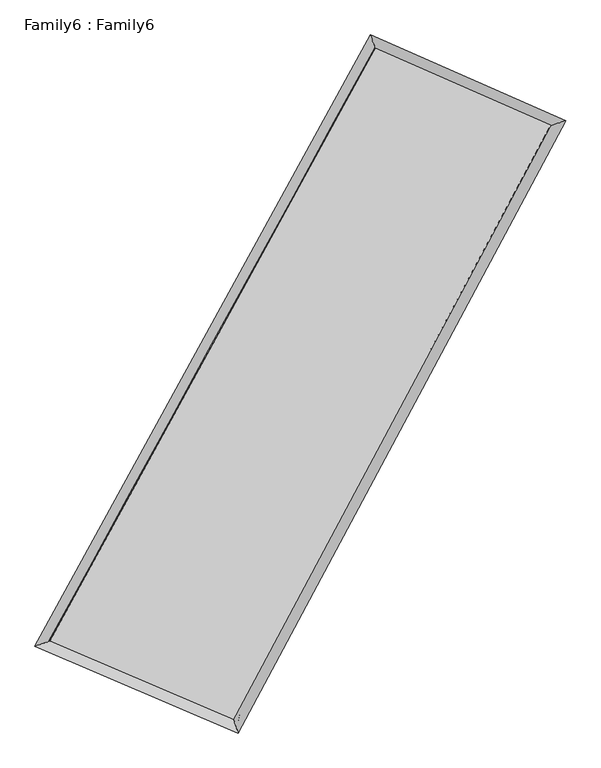
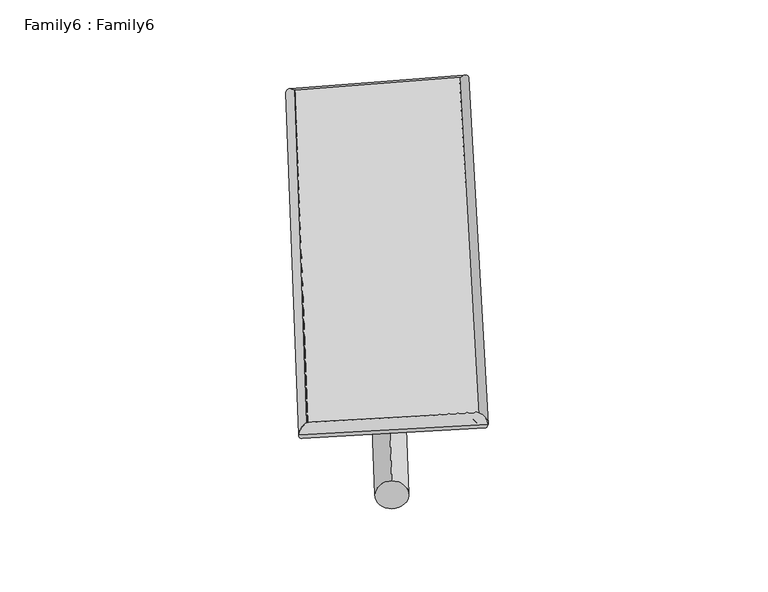
"""IFC4 building model written with IfcOpenShell, lengths in millimetres: plate geometry, Family6 : Family6."""

from ifc_helpers import new_model, si_unit, point, frame, origin, origin_2d, place, context, project, spatial, circle_curve, ellipse_curve, trimmed, segment, composite_curve, outline, extrude, source, transform, mapped, element, save
from ifc_brep_helpers import plane_surface, cylinder_surface, spline_surface, advanced_brep


def family6_family6_1cae8eb5(model_context):
    return source(origin(), model_context, "Body", "SolidModel", [
        extrude(outline(composite_curve([segment(trimmed(circle_curve(origin_2d(), 76.2), [point((-75.4341514, -10.7763074))], [point((75.4341514, 10.7763074))], False, "CARTESIAN"), True, "CONTINUOUS"), segment(trimmed(circle_curve(origin_2d(), 76.2), [point((75.4341514, 10.7763074))], [point((-75.4341514, -10.7763074))], False, "CARTESIAN"), True, "CONTINUOUS")], self_intersect=False)), frame((9144.0, 9144.0, 0.0), z_axis=(0.6698495819543582, 0.6923555634816301, 0.2682262315128899), x_axis=(-0.6836596254450391, 0.7160542252344763, -0.140981782724588)), (0.0, 0.0, 1.0), 5777.371442),
        extrude(outline(composite_curve([segment(trimmed(circle_curve(origin_2d(), 76.2), [point((-53.8815367, 53.8815367))], [point((53.8815367, -53.8815367))], False, "CARTESIAN"), True, "CONTINUOUS"), segment(trimmed(circle_curve(origin_2d(), 76.2), [point((53.8815367, -53.8815367))], [point((-53.8815367, 53.8815367))], False, "CARTESIAN"), True, "CONTINUOUS")], self_intersect=False)), frame((9144.0, 9144.0, 0.0), z_axis=(-0.676528505737066, -0.6865075603273804, 0.26648930661195563), x_axis=(0.6367275986227389, -0.3634948289146226, 0.6800363773390729)), (0.0, 0.0, 1.0), 5812.6458426),
        extrude(outline(composite_curve([segment(trimmed(circle_curve(origin_2d(), 76.2), [point((-53.8815367, -53.8815367))], [point((53.8815367, 53.8815367))], False, "CARTESIAN"), True, "CONTINUOUS"), segment(trimmed(circle_curve(origin_2d(), 76.2), [point((53.8815367, 53.8815367))], [point((-53.8815367, -53.8815367))], False, "CARTESIAN"), True, "CONTINUOUS")], self_intersect=False)), frame((9144.0, 9144.0, 0.0), z_axis=(0.20288243820096424, 0.9410681741212181, 0.27060932712267866), x_axis=(-0.8511309904723727, 0.3061229095965478, -0.4264560953693376)), (0.0, 0.0, 1.0), 5531.6793317),
        extrude(outline(composite_curve([segment(trimmed(circle_curve(origin_2d(), 76.2), [point((-75.4341514, 10.7763074))], [point((75.4341514, -10.7763074))], False, "CARTESIAN"), True, "CONTINUOUS"), segment(trimmed(circle_curve(origin_2d(), 76.2), [point((75.4341514, -10.7763074))], [point((-75.4341514, 10.7763074))], False, "CARTESIAN"), True, "CONTINUOUS")], self_intersect=False)), frame((9144.0, 9144.0, 0.0), z_axis=(-0.19243788287476143, -0.9431818235925529, 0.27087950989195564), x_axis=(0.9003369318960428, -0.05989925092719947, 0.4310516080498726)), (0.0, 0.0, 1.0), 5529.1967673),
        advanced_brep(
        [(4997.0624782, 5079.5774763, 1545.819306), (4996.9940985, 5079.4873027, 1553.1843682), (5426.0963092, 5227.5718908, 1552.1966144), (10332.6495904, 14154.1562951, 1501.6392009), (10199.9115899, 14545.218442, 1492.2088428), (5426.1646889, 5227.6620643, 1544.8315521), (12801.8392072, 13070.6704425, 1549.0143148), (13226.1004832, 13217.3200778, 1550.270825), (8011.4806551, 4123.9047755, 1498.6286619), (8148.4655051, 3734.0194445, 1496.863559)],
        [
            (0, 1, ellipse_curve(frame((5211.5793937, 5153.5746835, 1549.0079602), z_axis=(-0.32619411908600193, 0.9452641871344925, 0.008544775870329084), x_axis=(-0.9451600016438342, -0.32628863108504425, 0.014432619903380892)), 227.0555402, 152.4)),
            (1, 2, ellipse_curve(frame((5211.5793937, 5153.5746835, 1549.0079602), z_axis=(-0.32619411908600193, 0.9452641871344925, 0.008544775870329084), x_axis=(-0.9451600016438342, -0.32628863108504425, 0.014432619903380892)), 227.0555402, 152.4)),
            (2, 3),
            (3, 4, ellipse_curve(frame((10266.2805902, 14349.6873685, 1496.9240218), z_axis=(-0.9468400470406312, -0.32159132939988744, -0.00854061911738486), x_axis=(0.32142328672984843, -0.9467885291682875, 0.016689870674530646)), 206.5449681, 152.4)),
            (4, 0),
            (2, 5, ellipse_curve(frame((5211.5793937, 5153.5746835, 1549.0079602), z_axis=(-0.32619411908600193, 0.9452641871344925, 0.008544775870329084), x_axis=(-0.9451600016438342, -0.32628863108504425, 0.014432619903380892)), 227.0555402, 152.4)),
            (5, 0, ellipse_curve(frame((5211.5793937, 5153.5746835, 1549.0079602), z_axis=(-0.32619411908600193, 0.9452641871344925, 0.008544775870329084), x_axis=(-0.9451600016438342, -0.32628863108504425, 0.014432619903380892)), 227.0555402, 152.4)),
            (4, 3, ellipse_curve(frame((10266.2805902, 14349.6873685, 1496.9240218), z_axis=(-0.9468400470406312, -0.32159132939988744, -0.00854061911738486), x_axis=(0.32142328672984843, -0.9467885291682875, 0.016689870674530646)), 206.5449681, 152.4)),
            (3, 6),
            (6, 7, ellipse_curve(frame((13013.9698452, 13143.9952602, 1549.6425699), z_axis=(-0.326654074662192, 0.9450984000974001, -0.009280605579475323), x_axis=(-0.9449812990574971, -0.32676427881231496, -0.015344397149219327)), 224.4673779, 152.4)),
            (7, 4),
            (7, 6, ellipse_curve(frame((13013.9698452, 13143.9952602, 1549.6425699), z_axis=(-0.326654074662192, 0.9450984000974001, -0.009280605579475323), x_axis=(-0.9449812990574971, -0.32676427881231496, -0.015344397149219327)), 224.4673779, 152.4)),
            (6, 8),
            (8, 9, ellipse_curve(frame((8079.9730801, 3928.96211, 1497.7461104), z_axis=(0.9434220392058096, 0.33150324141055254, -0.007775401922013994), x_axis=(-0.3313554272645947, 0.9433729775413152, 0.015843170993555086)), 206.6383997, 152.4)),
            (9, 7),
            (9, 8, ellipse_curve(frame((8079.9730801, 3928.96211, 1497.7461104), z_axis=(0.9434220392058096, 0.33150324141055254, -0.007775401922013994), x_axis=(-0.3313554272645947, 0.9433729775413152, 0.015843170993555086)), 206.6383997, 152.4)),
            (8, 5),
            (1, 9),
        ],
        [
            cylinder_surface(frame((5211.5793937, 5153.5746835, 1549.0079602), z_axis=(-0.4816815474779149, -0.8763322730110114, 0.0049632749909439), x_axis=(-0.8761007464256375, 0.4814047691811931, -0.026399437911499003)), 152.4),
            cylinder_surface(frame((10266.2805902, 14349.6873685, 1496.9240218), z_axis=(-0.9155776011857975, 0.40175747176621807, -0.017566732390444983), x_axis=(0.40201427997293104, 0.915512633281548, -0.01487067583305258)), 152.4),
            cylinder_surface(frame((13013.9698452, 13143.9952602, 1549.6425699), z_axis=(0.4720202214642963, 0.8815737414130613, 0.004964773889489927), x_axis=(0.8815868416063896, -0.4720202214642963, -0.0012454859563873451)), 152.4),
            cylinder_surface(frame((8079.9730801, 3928.96211, 1497.7461104), z_axis=(0.9195654564438063, -0.39259304798408357, -0.01643380631082535), x_axis=(-0.3924893513052419, -0.9197099829943249, 0.009255068479988526)), 152.4),
        ],
        [
            (0, [[1, 2, 3, 4, 5]]),
            (0, [[6, 7, -5, 8, -3]]),
            (1, [[-4, 9, 10, 11]]),
            (1, [[-8, -11, 12, -9]]),
            (2, [[-10, 13, 14, 15]]),
            (2, [[-12, -15, 16, -13]]),
            (3, [[-14, 17, -6, -2, 18]]),
            (3, [[-16, -18, -1, -7, -17]]),
        ],
    ),
        extrude(outline(composite_curve([segment(trimmed(circle_curve(origin_2d(), 304.8), [point((-1e-07, -304.8))], [point((0.0, 304.8))], False, "CARTESIAN"), True, "CONTINUOUS"), segment(trimmed(circle_curve(origin_2d(), 304.8), [point((0.0, 304.8))], [point((-1e-07, -304.8))], False, "CARTESIAN"), True, "CONTINUOUS")], self_intersect=False)), frame((6615.6786066, 4534.4724609, -0.0391184), z_axis=(0.4809080606756573, 0.8767710289019678, 7.440649229446947e-06), x_axis=(-0.876771028931467, 0.4809080606756572, 1.9066088169501811e-06)), (0.0, 0.0, 1.0), 10514.7806832),
        advanced_brep(
        [(5211.5793937, 5153.5746835, 1549.0079602), (8079.9730801, 3928.96211, 1497.7461104), (8079.9852096, 3928.9583423, 1650.1461099), (5211.5915232, 5153.5709159, 1701.4079597), (13013.9698452, 13143.9952602, 1549.6425699), (13013.9819747, 13143.9914925, 1702.0425694), (10266.2805902, 14349.6873685, 1496.9240218), (10266.2927197, 14349.6836009, 1649.3240213)],
        [
            (0, 1),
            (1, 2),
            (2, 3),
            (3, 0),
            (1, 4),
            (4, 5),
            (5, 2),
            (4, 6),
            (6, 7),
            (7, 5),
            (6, 0),
            (3, 7),
        ],
        [
            plane_surface(frame((6645.7762369, 4541.2683968, 1523.3770353), z_axis=(-0.39264594381214957, -0.9196897100301697, 8.514029654415473e-06), x_axis=(0.9195654564438059, -0.39259304798408384, -0.016433806310825336))),
            plane_surface(frame((10546.9714627, 8536.4786851, 1523.6943402), z_axis=(0.8815847953910653, -0.4720256792149693, -8.18348376539278e-05), x_axis=(0.4720202214642965, 0.8815737414130611, 0.004964773889489945))),
            plane_surface(frame((11640.1252177, 13746.8413143, 1523.2832959), z_axis=(0.40181962559156825, 0.9157188369811843, -9.342331687410901e-06), x_axis=(-0.9155776011857971, 0.4017574717662185, -0.017566732390444983))),
            plane_surface(frame((7738.9299919, 9751.631026, 1522.965991), z_axis=(-0.8763428688940827, 0.4816878340488835, 8.165650144685002e-05), x_axis=(-0.48168154747791503, -0.8763322730110112, 0.0049632749909439035))),
            spline_surface(1, 1, [[(8079.9852096, 3928.9583423, 1650.1461099), (5211.5915232, 5153.5709159, 1701.4079597)], [(13013.9819747, 13143.9914925, 1702.0425694), (10266.2927197, 14349.6836009, 1649.3240213)]], [2, 2], [2, 2], [0.0, 1.0], [0.0, 1.0]),
            spline_surface(1, 1, [[(10266.2805902, 14349.6873685, 1496.9240218), (5211.5793937, 5153.5746835, 1549.0079602)], [(13013.9698452, 13143.9952602, 1549.6425699), (8079.9730801, 3928.96211, 1497.7461104)]], [2, 2], [2, 2], [0.0, 1.0], [0.0, 1.0]),
        ],
        [
            (0, [[1, 2, 3, 4]]),
            (1, [[5, 6, 7, -2]]),
            (2, [[8, 9, 10, -6]]),
            (3, [[11, -4, 12, -9]]),
            (4, [[-3, -7, -10, -12]]),
            (5, [[-11, -8, -5, -1]]),
        ],
    ),
    ])


if __name__ == "__main__":
    model = new_model("IFC4")
    model_context = context("Model", 3, world=origin())
    ifc_project = project(units=[si_unit("LENGTHUNIT", "METRE", prefix="MILLI")], contexts=[model_context])
    site = spatial("IfcSite", under=ifc_project)
    building = spatial("IfcBuilding", under=site)
    placement = place(None, origin())
    family6_family6_shape = family6_family6_1cae8eb5(model_context)
    element("IfcPlate", 1, ObjectType="Family6 : Family6", at=placement, inside=building, context=model_context, shape_type="MappedRepresentation", body=[
        mapped(family6_family6_shape, transform((0.0, 0.0, 0.0), x_axis=(1.0, 0.0, 0.0), y_axis=(0.0, 1.0, 0.0), z_axis=(0.0, 0.0, 1.0))),
    ])
    save(model, "model.ifc")
